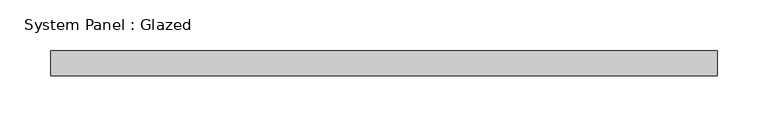
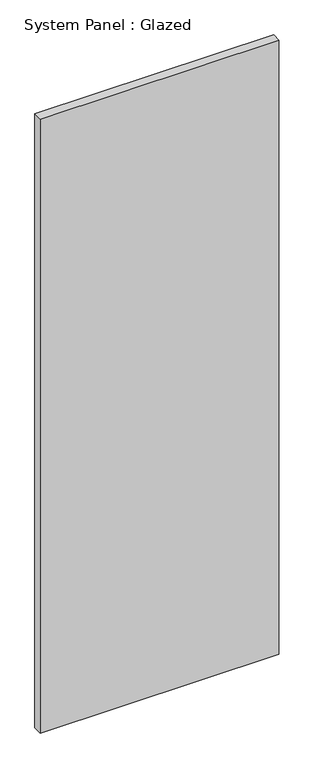
"""IFC4 building model written with IfcOpenShell, lengths in millimetres: plate geometry, System Panel : Glazed."""

import ifcopenshell
import ifcopenshell.guid

model = None  # the IFC model being written
_history = None  # IfcOwnerHistory: only IFC2X3 demands one
_inside = {}  # id of a spatial element -> (the spatial element, [elements in it])
_under = {}  # id of a project, library or spatial element -> (it, [spatial elements below it])
_declared = {}  # id of a project -> (the project, [libraries it declares])
_typed = {}  # id of a type object -> (the type object, [elements of that type])
_made_of = {}  # id of a material, layer set ... -> (it, [elements and type objects made of it])


def new_model(schema):
    """Start an empty IFC model of exactly this schema.

    Asked for "IFC4X3", IfcOpenShell would pick the latest addendum, in which some entities
    have other attributes; the version numbers below select the first issue.
    IFC2X3 requires an IfcOwnerHistory on every rooted entity: one is made here for all.
    """
    global model, _history
    if schema == "IFC4X3":
        model = ifcopenshell.file(schema_version=(4, 3, 0, 0))
    else:
        model = ifcopenshell.file(schema=schema)
    _inside.clear()
    _under.clear()
    _declared.clear()
    _typed.clear()
    _made_of.clear()
    _history = None
    if model.schema == "IFC2X3":
        org = make("IfcOrganization", Name="unknown")
        user = make(
            "IfcPersonAndOrganization",
            ThePerson=make("IfcPerson", FamilyName="unknown"),
            TheOrganization=org,
        )
        app = make(
            "IfcApplication",
            ApplicationDeveloper=org,
            Version="unknown",
            ApplicationFullName="unknown",
            ApplicationIdentifier="unknown",
        )
        _history = make(
            "IfcOwnerHistory",
            OwningUser=user,
            OwningApplication=app,
            ChangeAction="ADDED",
            CreationDate=0,
        )
    return model


def make(cls, **values):
    """One entity of the class cls with the attributes given. An attribute that is None is left unset."""
    return model.create_entity(
        cls, **{name: value for name, value in values.items() if value is not None}
    )


def rooted(cls, **values):
    """An entity with a GlobalId (a new one), such as an element, a storey or a relation."""
    return make(cls, GlobalId=ifcopenshell.guid.new(), OwnerHistory=_history, **values)


def si_unit(unit_type, name, prefix=None):
    """IfcSIUnit, for example si_unit("LENGTHUNIT", "METRE", prefix="MILLI")."""
    return make("IfcSIUnit", UnitType=unit_type, Prefix=prefix, Name=name)


def assignment(units):
    """IfcUnitAssignment: the units of a project."""
    return None if units is None else make("IfcUnitAssignment", Units=units)


def point(xyz):
    """IfcCartesianPoint."""
    return None if xyz is None else make("IfcCartesianPoint", Coordinates=xyz)


def direction(xyz):
    """IfcDirection."""
    return None if xyz is None else make("IfcDirection", DirectionRatios=xyz)


def frame(location, z_axis=None, x_axis=None):
    """IfcAxis2Placement3D, a coordinate frame: its origin and axes. An axis left out is left unset."""
    return make(
        "IfcAxis2Placement3D",
        Location=point(location),
        Axis=direction(z_axis),
        RefDirection=direction(x_axis),
    )


def origin():
    """The frame at (0, 0, 0) with its axes left unset."""
    return frame((0.0, 0.0, 0.0))


def origin_with_axes():
    """The frame at (0, 0, 0) with the z axis (0, 0, 1) and the x axis (1, 0, 0) written out."""
    return frame((0.0, 0.0, 0.0), z_axis=(0.0, 0.0, 1.0), x_axis=(1.0, 0.0, 0.0))


def place(relative_to, where):
    """IfcLocalPlacement: puts the frame where relative to a parent placement (None: the world)."""
    return make(
        "IfcLocalPlacement", PlacementRelTo=relative_to, RelativePlacement=where
    )


def context(
    kind, dimensions, precision=None, world=None, true_north=None, identifier=None
):
    """IfcGeometricRepresentationContext, for example the 3D "Model" context."""
    return make(
        "IfcGeometricRepresentationContext",
        ContextIdentifier=identifier,
        ContextType=kind,
        CoordinateSpaceDimension=dimensions,
        Precision=precision,
        WorldCoordinateSystem=world,
        TrueNorth=true_north,
    )


def project(units=None, contexts=None):
    """IfcProject with its units and contexts."""
    return rooted(
        "IfcProject",
        Name="project",
        RepresentationContexts=contexts,
        UnitsInContext=assignment(units),
    )


def spatial(cls, under=None, at=None, **own):
    """A site, building, storey or space (cls), placed at a placement, below another one or the project."""
    s = rooted(cls, ObjectPlacement=at, **own)
    if under is not None:
        _under.setdefault(under.id(), (under, []))[1].append(s)
    return s


def polyline(points):
    """IfcPolyline through the points."""
    return make("IfcPolyline", Points=[point(p) for p in points])


def outline(outer, holes=None, kind="AREA"):
    """IfcArbitraryClosedProfileDef: a profile drawn as a closed curve; with holes, ...WithVoids."""
    if holes is None:
        return make("IfcArbitraryClosedProfileDef", ProfileType=kind, OuterCurve=outer)
    return make(
        "IfcArbitraryProfileDefWithVoids",
        ProfileType=kind,
        OuterCurve=outer,
        InnerCurves=holes,
    )


def extrude(swept, where, along, depth):
    """IfcExtrudedAreaSolid: the profile swept, set in the frame where, extruded along a direction by depth."""
    return make(
        "IfcExtrudedAreaSolid",
        SweptArea=swept,
        Position=where,
        ExtrudedDirection=direction(along),
        Depth=depth,
    )


def shape(context_of_items, identifier, shape_type, items):
    """IfcShapeRepresentation: the items that make up one representation, for example the "Body"."""
    return make(
        "IfcShapeRepresentation",
        ContextOfItems=context_of_items,
        RepresentationIdentifier=identifier,
        RepresentationType=shape_type,
        Items=items,
    )


def source(mapping_origin, context_of_items, identifier, shape_type, items):
    """IfcRepresentationMap: a shape defined once, which mapped items show again and again."""
    return make(
        "IfcRepresentationMap",
        MappingOrigin=mapping_origin,
        MappedRepresentation=shape(context_of_items, identifier, shape_type, items),
    )


def transform(
    local_origin,
    x_axis=None,
    y_axis=None,
    z_axis=None,
    scale=None,
    scale2=None,
    scale3=None,
    uniform=True,
):
    """IfcCartesianTransformationOperator3D, or its non-uniform kind. x_axis, y_axis, z_axis: its Axis1, 2, 3."""
    if uniform:
        return make(
            "IfcCartesianTransformationOperator3D",
            Axis1=direction(x_axis),
            Axis2=direction(y_axis),
            LocalOrigin=point(local_origin),
            Scale=scale,
            Axis3=direction(z_axis),
        )
    return make(
        "IfcCartesianTransformationOperator3DnonUniform",
        Axis1=direction(x_axis),
        Axis2=direction(y_axis),
        LocalOrigin=point(local_origin),
        Scale=scale,
        Axis3=direction(z_axis),
        Scale2=scale2,
        Scale3=scale3,
    )


def mapped(mapping_source, mapping_target):
    """IfcMappedItem: shows the shape of a source again, moved by a transform."""
    return make(
        "IfcMappedItem", MappingSource=mapping_source, MappingTarget=mapping_target
    )


def made_of(thing, what):
    """Note that an element or type object is made of a material, layer set ...; save() writes the relation."""
    if what is not None:
        _made_of.setdefault(what.id(), (what, []))[1].append(thing)
    return thing


def element(
    cls,
    number,
    at=None,
    inside=None,
    cuts=None,
    type_object=None,
    material=None,
    context=None,
    identifier="Body",
    shape_type=None,
    held_by="IfcProductDefinitionShape",
    body=None,
    shapes=None,
    **own,
):
    """One element of the class cls, such as IfcWall. Its Tag is "e" and its number.

    at: its placement. inside: the storey or other place that contains it. cuts: it is an
    opening in that element (IfcRelVoidsElement). A single representation is given by context,
    identifier, shape_type and body (its items); several are given by shapes. held_by: the class
    of the entity that holds the representations. save() writes the other relations.
    """
    e = rooted(cls, Tag="e%d" % number, ObjectPlacement=at, **own)
    if body is not None:
        shapes = [shape(context, identifier, shape_type, body)]
    if shapes is not None:
        e.Representation = make(held_by, Representations=shapes)
    if inside is not None:
        _inside.setdefault(inside.id(), (inside, []))[1].append(e)
    if cuts is not None:
        rooted(
            "IfcRelVoidsElement", RelatingBuildingElement=cuts, RelatedOpeningElement=e
        )
    if type_object is not None:
        _typed.setdefault(type_object.id(), (type_object, []))[1].append(e)
    return made_of(e, material)


def aggregate(whole, parts):
    """IfcRelAggregates: a whole, such as a stair, and the parts it consists of."""
    return rooted("IfcRelAggregates", RelatingObject=whole, RelatedObjects=parts)


def save(model, path):
    """Write the relations noted so far, then the file.

    IfcRelAggregates (storeys below a building ...), IfcRelContainedInSpatialStructure (elements
    in a storey), IfcRelDefinesByType, IfcRelAssociatesMaterial and IfcRelDeclares: one each for
    every whole, place, type object, material and project.
    """
    for whole, parts in _under.values():
        aggregate(whole, parts)
    for where, things in _inside.values():
        rooted(
            "IfcRelContainedInSpatialStructure",
            RelatedElements=things,
            RelatingStructure=where,
        )
    for kind, things in _typed.values():
        rooted("IfcRelDefinesByType", RelatedObjects=things, RelatingType=kind)
    for what, things in _made_of.values():
        rooted("IfcRelAssociatesMaterial", RelatedObjects=things, RelatingMaterial=what)
    for by, libraries in _declared.values():
        rooted("IfcRelDeclares", RelatingContext=by, RelatedDefinitions=libraries)
    model.write(path)


def system_panel_glazed_c9fc7297(model_context):
    return source(origin(), model_context, "Body", "SweptSolid", [
        extrude(outline(polyline([(329.5, -49.5), (-329.5, -49.5), (-329.5, -24.5), (329.5, -24.5), (329.5, -49.5)])), origin_with_axes(), (0.0, 0.0, 1.0), 1791.6666667),
    ])


if __name__ == "__main__":
    model = new_model("IFC4")
    model_context = context("Model", 3, world=origin())
    ifc_project = project(units=[si_unit("LENGTHUNIT", "METRE", prefix="MILLI")], contexts=[model_context])
    site = spatial("IfcSite", under=ifc_project)
    building = spatial("IfcBuilding", under=site)
    placement = place(None, origin())
    system_panel_glazed_shape = system_panel_glazed_c9fc7297(model_context)
    element("IfcPlate", 1, ObjectType="System Panel : Glazed", at=placement, inside=building, context=model_context, shape_type="MappedRepresentation", body=[
        mapped(system_panel_glazed_shape, transform((0.0, 0.0, 0.0), x_axis=(1.0, 0.0, 0.0), y_axis=(0.0, 1.0, 0.0), z_axis=(0.0, 0.0, 1.0))),
    ])
    save(model, "model.ifc")
